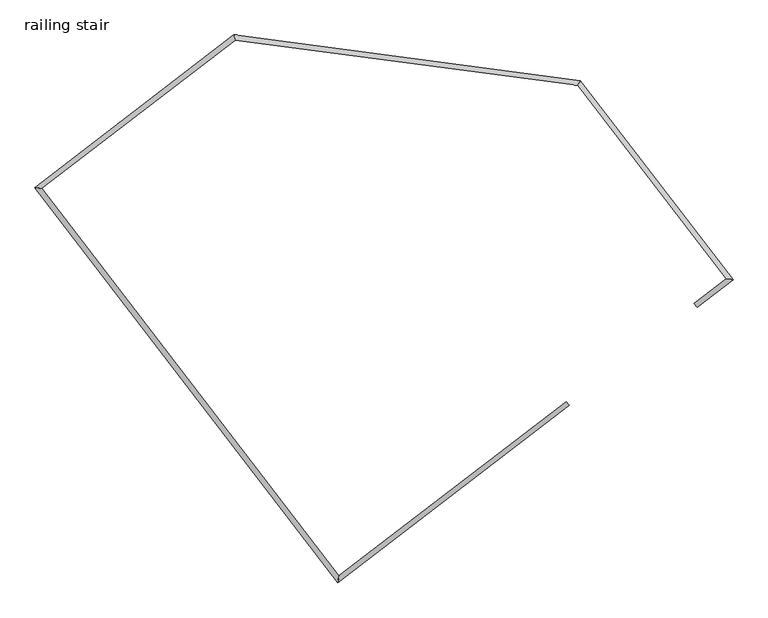
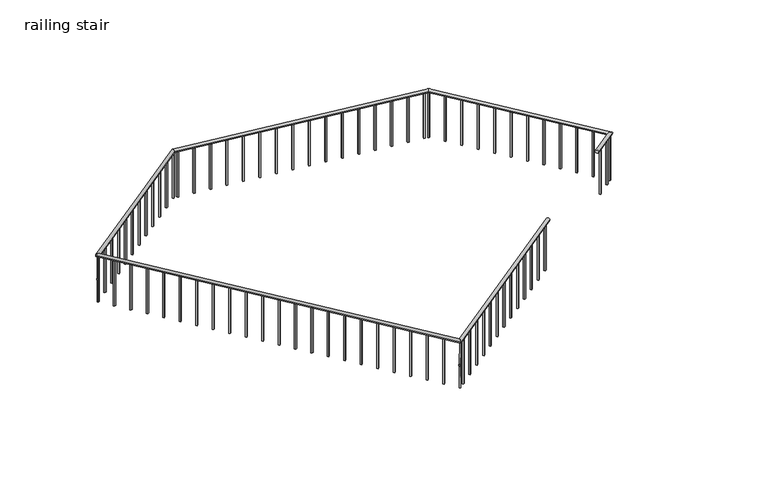
"""IFC4 building model written with IfcOpenShell, lengths in millimetres: railing geometry, railing stair."""

from ifc_helpers import new_model, si_unit, point, frame, origin, origin_with_axes, place, context, project, spatial, polyline, circle_curve, ellipse_curve, trimmed, outline, extrude, source, transform, mapped, element, save
from ifc_brep_helpers import plane_surface, cylinder_surface, revolved_surface, advanced_brep


def railing_stair_b06899be(model_context):
    return source(origin(), model_context, "Body", "SolidModel", [
        advanced_brep(
        [(-13456.2858783, 9418.9719907, 880.0), (-13419.7780178, 9371.3571179, 880.0), (-13063.4631772, 9720.1618405, 880.0), (-12979.3404438, 9709.0548282, 880.0), (-14884.5537124, 12095.294017, 880.0), (-14852.0608906, 12151.5246037, 880.0), (-19086.5838869, 12650.1024376, 880.0), (-19103.3690214, 12712.8393615, 880.0), (-21461.7160633, 10829.0119025, 880.0), (-21545.8387967, 10840.1189148, 880.0), (-17817.0146509, 6075.4604284, 880.0), (-17828.1216632, 5991.3376949, 880.0), (-15027.5766825, 8214.2125927, 880.0), (-14991.0688219, 8166.5977198, 880.0)],
        [
            (0, 1, circle_curve(frame((-13438.0319481, 9395.1645543, 880.0), z_axis=(-0.7935812142383476, -0.6084643427580535, 0.0), x_axis=(0.6084643427580535, -0.7935812142383476, 0.0)), 30.0)),
            (1, 0, circle_curve(frame((-13438.0319481, 9395.1645543, 880.0), z_axis=(-0.7935812142383476, -0.6084643427580535, 0.0), x_axis=(0.6084643427580535, -0.7935812142383476, 0.0)), 30.0)),
            (0, 2),
            (2, 3, ellipse_curve(frame((-13021.4018105, 9714.6083343, 880.0), z_axis=(-0.13089739522487362, -0.9913959208728585, 0.0), x_axis=(-0.9913959208728585, 0.13089739522487365, 0.0)), 42.4264069, 30.0)),
            (3, 1),
            (3, 2, ellipse_curve(frame((-13021.4018105, 9714.6083343, 880.0), z_axis=(-0.13089739522487362, -0.9913959208728585, 0.0), x_axis=(-0.9913959208728585, 0.13089739522487365, 0.0)), 42.4264069, 30.0)),
            (2, 4),
            (4, 5, ellipse_curve(frame((-14868.3073015, 12123.4093103, 880.0), z_axis=(0.8658381353594758, -0.5003242182397591, 0.0), x_axis=(-0.5003242182397594, -0.8658381353594755, 0.0)), 32.471766, 30.0)),
            (5, 3),
            (5, 4, ellipse_curve(frame((-14868.3073015, 12123.4093103, 880.0), z_axis=(0.8658381353594758, -0.5003242182397591, 0.0), x_axis=(-0.5003242182397594, -0.8658381353594755, 0.0)), 32.471766, 30.0)),
            (4, 6),
            (6, 7, ellipse_curve(frame((-19094.9764541, 12681.4708996, 880.0), z_axis=(0.966022664431792, 0.25845736941341335, 0.0), x_axis=(0.2584573694134129, -0.966022664431792, 0.0)), 32.471766, 30.0)),
            (7, 5),
            (7, 6, ellipse_curve(frame((-19094.9764541, 12681.4708996, 880.0), z_axis=(0.966022664431792, 0.25845736941341335, 0.0), x_axis=(0.2584573694134129, -0.966022664431792, 0.0)), 32.471766, 30.0)),
            (6, 8),
            (8, 9, ellipse_curve(frame((-21503.77743, 10834.5654086, 880.0), z_axis=(0.13089739531398417, 0.991395920861093, 0.0), x_axis=(0.991395920861093, -0.13089739531398414, 0.0)), 42.4264069, 30.0)),
            (9, 7),
            (9, 8, ellipse_curve(frame((-21503.77743, 10834.5654086, 880.0), z_axis=(0.13089739531398417, 0.991395920861093, 0.0), x_axis=(0.991395920861093, -0.13089739531398414, 0.0)), 42.4264069, 30.0)),
            (8, 10),
            (10, 11, ellipse_curve(frame((-17822.5681571, 6033.3990617, 880.0), z_axis=(-0.991395920861093, 0.13089739531398406, 0.0), x_axis=(0.13089739531398398, 0.991395920861093, 0.0)), 42.4264069, 30.0)),
            (11, 9),
            (11, 10, ellipse_curve(frame((-17822.5681571, 6033.3990617, 880.0), z_axis=(-0.991395920861093, 0.13089739531398406, 0.0), x_axis=(0.13089739531398398, 0.991395920861093, 0.0)), 42.4264069, 30.0)),
            (12, 13, circle_curve(frame((-15009.3227522, 8190.4051562, 880.0), z_axis=(0.7935812143477351, 0.6084643426153864, 0.0), x_axis=(0.6084643426153864, -0.7935812143477351, 0.0)), 30.0)),
            (13, 12, circle_curve(frame((-15009.3227522, 8190.4051562, 880.0), z_axis=(0.7935812143477351, 0.6084643426153864, 0.0), x_axis=(0.6084643426153864, -0.7935812143477351, 0.0)), 30.0)),
            (10, 12),
            (13, 11),
        ],
        [
            plane_surface(frame((-13438.0319481, 9395.1645543, 900.0), z_axis=(-0.7935812142383476, -0.6084643427580535, 0.0), x_axis=(0.6084643427580535, -0.7935812142383476, 0.0))),
            cylinder_surface(frame((-13438.0319481, 9395.1645543, 880.0), z_axis=(-0.7935812142383476, -0.6084643427580535, 0.0), x_axis=(0.6084643427580535, -0.7935812142383476, 0.0)), 30.0),
            cylinder_surface(frame((-13021.4018105, 9714.6083343, 880.0), z_axis=(0.6084643426153795, -0.7935812143477403, 0.0), x_axis=(0.7935812143477403, 0.6084643426153795, 0.0)), 30.0),
            cylinder_surface(frame((-14868.3073015, 12123.4093103, 880.0), z_axis=(0.9913959208543641, -0.1308973953649479, 0.0), x_axis=(0.1308973953649479, 0.9913959208543641, 0.0)), 30.0),
            cylinder_surface(frame((-19094.9764541, 12681.4708996, 880.0), z_axis=(0.7935812143477353, 0.6084643426153862, 0.0), x_axis=(-0.6084643426153862, 0.7935812143477353, 0.0)), 30.0),
            cylinder_surface(frame((-21503.77743, 10834.5654086, 880.0), z_axis=(-0.6084643426153863, 0.7935812143477351, 0.0), x_axis=(-0.7935812143477351, -0.6084643426153863, 0.0)), 30.0),
            plane_surface(frame((-15009.3227522, 8190.4051562, 900.0), z_axis=(0.7935812143477353, 0.608464342615386, 0.0), x_axis=(0.608464342615386, -0.7935812143477353, 0.0))),
            cylinder_surface(frame((-17822.5681571, 6033.3990617, 880.0), z_axis=(-0.7935812143477351, -0.6084643426153864, 0.0), x_axis=(0.6084643426153864, -0.7935812143477351, 0.0)), 30.0),
        ],
        [
            (0, [[1, 2]]),
            (1, [[-1, 3, 4, 5]]),
            (1, [[-2, -5, 6, -3]]),
            (2, [[-4, 7, 8, 9]]),
            (2, [[-6, -9, 10, -7]]),
            (3, [[-8, 11, 12, 13]]),
            (3, [[-10, -13, 14, -11]]),
            (4, [[-12, 15, 16, 17]]),
            (4, [[-14, -17, 18, -15]]),
            (5, [[-16, 19, 20, 21]]),
            (5, [[-18, -21, 22, -19]]),
            (6, [[23, 24]]),
            (7, [[-20, 25, -24, 26]]),
            (7, [[-22, -26, -23, -25]]),
        ],
    ),
        extrude(outline(polyline([(-15108.8504119, 8098.3427048), (-15124.0620204, 8118.1822352), (-15104.2224901, 8133.3938437), (-15089.0108815, 8113.5543134), (-15108.8504119, 8098.3427048)])), origin_with_axes(), (0.0, 0.0, 1.0), 850.0),
        extrude(outline(polyline([(-15327.0852458, 7931.0150106), (-15342.2968544, 7950.8545409), (-15322.457324, 7966.0661495), (-15307.2457155, 7946.2266191), (-15327.0852458, 7931.0150106)])), origin_with_axes(), (0.0, 0.0, 1.0), 850.0),
        extrude(outline(polyline([(-15545.3200798, 7763.6873164), (-15560.5316883, 7783.5268467), (-15540.692158, 7798.7384553), (-15525.4805494, 7778.8989249), (-15545.3200798, 7763.6873164)])), origin_with_axes(), (0.0, 0.0, 1.0), 850.0),
        extrude(outline(polyline([(-15763.5549137, 7596.3596221), (-15778.7665223, 7616.1991525), (-15758.9269919, 7631.4107611), (-15743.7153834, 7611.5712307), (-15763.5549137, 7596.3596221)])), origin_with_axes(), (0.0, 0.0, 1.0), 850.0),
        extrude(outline(polyline([(-15981.7897477, 7429.0319279), (-15997.0013562, 7448.8714583), (-15977.1618259, 7464.0830668), (-15961.9502173, 7444.2435365), (-15981.7897477, 7429.0319279)])), origin_with_axes(), (0.0, 0.0, 1.0), 850.0),
        extrude(outline(polyline([(-16200.0245816, 7261.7042337), (-16215.2361902, 7281.5437641), (-16195.3966598, 7296.7553726), (-16180.1850512, 7276.9158423), (-16200.0245816, 7261.7042337)])), origin_with_axes(), (0.0, 0.0, 1.0), 850.0),
        extrude(outline(polyline([(-16418.2594156, 7094.3765395), (-16433.4710241, 7114.2160698), (-16413.6314938, 7129.4276784), (-16398.4198852, 7109.588148), (-16418.2594156, 7094.3765395)])), origin_with_axes(), (0.0, 0.0, 1.0), 850.0),
        extrude(outline(polyline([(-16636.4942495, 6927.0488453), (-16651.7058581, 6946.8883756), (-16631.8663277, 6962.0999842), (-16616.6547191, 6942.2604538), (-16636.4942495, 6927.0488453)])), origin_with_axes(), (0.0, 0.0, 1.0), 850.0),
        extrude(outline(polyline([(-16854.7290834, 6759.721151), (-16869.940692, 6779.5606814), (-16850.1011616, 6794.77229), (-16834.8895531, 6774.9327596), (-16854.7290834, 6759.721151)])), origin_with_axes(), (0.0, 0.0, 1.0), 850.0),
        extrude(outline(polyline([(-17072.9639174, 6592.3934568), (-17088.175526, 6612.2329872), (-17068.3359956, 6627.4445957), (-17053.124387, 6607.6050654), (-17072.9639174, 6592.3934568)])), origin_with_axes(), (0.0, 0.0, 1.0), 850.0),
        extrude(outline(polyline([(-17291.1987513, 6425.0657626), (-17306.4103599, 6444.905293), (-17286.5708295, 6460.1169015), (-17271.359221, 6440.2773712), (-17291.1987513, 6425.0657626)])), origin_with_axes(), (0.0, 0.0, 1.0), 850.0),
        extrude(outline(polyline([(-17509.4335853, 6257.7380684), (-17524.6451938, 6277.5775987), (-17504.8056635, 6292.7892073), (-17489.5940549, 6272.949677), (-17509.4335853, 6257.7380684)])), origin_with_axes(), (0.0, 0.0, 1.0), 850.0),
        extrude(outline(polyline([(-17727.6684192, 6090.4103742), (-17742.8800278, 6110.2499045), (-17723.0404974, 6125.4615131), (-17707.8288889, 6105.6219827), (-17727.6684192, 6090.4103742)])), origin_with_axes(), (0.0, 0.0, 1.0), 850.0),
        extrude(outline(polyline([(-18007.4214208, 6253.9478566), (-17987.5818905, 6269.1594651), (-17972.3702819, 6249.3199348), (-17992.2098123, 6234.1083262), (-18007.4214208, 6253.9478566)])), origin_with_axes(), (0.0, 0.0, 1.0), 850.0),
        extrude(outline(polyline([(-18174.749115, 6472.1826905), (-18154.9095847, 6487.3942991), (-18139.6979761, 6467.5547687), (-18159.5375065, 6452.3431602), (-18174.749115, 6472.1826905)])), origin_with_axes(), (0.0, 0.0, 1.0), 850.0),
        extrude(outline(polyline([(-18342.0768093, 6690.4175245), (-18322.2372789, 6705.629133), (-18307.0256703, 6685.7896027), (-18326.8652007, 6670.5779941), (-18342.0768093, 6690.4175245)])), origin_with_axes(), (0.0, 0.0, 1.0), 850.0),
        extrude(outline(polyline([(-18509.4045035, 6908.6523584), (-18489.5649731, 6923.863967), (-18474.3533646, 6904.0244366), (-18494.1928949, 6888.8128281), (-18509.4045035, 6908.6523584)])), origin_with_axes(), (0.0, 0.0, 1.0), 850.0),
        extrude(outline(polyline([(-18676.7321977, 7126.8871924), (-18656.8926673, 7142.0988009), (-18641.6810588, 7122.2592706), (-18661.5205891, 7107.047662), (-18676.7321977, 7126.8871924)])), origin_with_axes(), (0.0, 0.0, 1.0), 850.0),
        extrude(outline(polyline([(-18844.0598919, 7345.1220263), (-18824.2203616, 7360.3336349), (-18809.008753, 7340.4941045), (-18828.8482834, 7325.2824959), (-18844.0598919, 7345.1220263)])), origin_with_axes(), (0.0, 0.0, 1.0), 850.0),
        extrude(outline(polyline([(-19011.3875861, 7563.3568603), (-18991.5480558, 7578.5684688), (-18976.3364472, 7558.7289385), (-18996.1759776, 7543.5173299), (-19011.3875861, 7563.3568603)])), origin_with_axes(), (0.0, 0.0, 1.0), 850.0),
        extrude(outline(polyline([(-19178.7152804, 7781.5916942), (-19158.87575, 7796.8033028), (-19143.6641414, 7776.9637724), (-19163.5036718, 7761.7521638), (-19178.7152804, 7781.5916942)])), origin_with_axes(), (0.0, 0.0, 1.0), 850.0),
        extrude(outline(polyline([(-19346.0429746, 7999.8265281), (-19326.2034442, 8015.0381367), (-19310.9918357, 7995.1986064), (-19330.831366, 7979.9869978), (-19346.0429746, 7999.8265281)])), origin_with_axes(), (0.0, 0.0, 1.0), 850.0),
        extrude(outline(polyline([(-19513.3706688, 8218.0613621), (-19493.5311384, 8233.2729707), (-19478.3195299, 8213.4334403), (-19498.1590602, 8198.2218317), (-19513.3706688, 8218.0613621)])), origin_with_axes(), (0.0, 0.0, 1.0), 850.0),
        extrude(outline(polyline([(-19680.698363, 8436.296196), (-19660.8588327, 8451.5078046), (-19645.6472241, 8431.6682742), (-19665.4867545, 8416.4566657), (-19680.698363, 8436.296196)])), origin_with_axes(), (0.0, 0.0, 1.0), 850.0),
        extrude(outline(polyline([(-19848.0260572, 8654.53103), (-19828.1865269, 8669.7426385), (-19812.9749183, 8649.9031082), (-19832.8144487, 8634.6914996), (-19848.0260572, 8654.53103)])), origin_with_axes(), (0.0, 0.0, 1.0), 850.0),
        extrude(outline(polyline([(-20015.3537515, 8872.7658639), (-19995.5142211, 8887.9774725), (-19980.3026125, 8868.1379421), (-20000.1421429, 8852.9263336), (-20015.3537515, 8872.7658639)])), origin_with_axes(), (0.0, 0.0, 1.0), 850.0),
        extrude(outline(polyline([(-20182.6814457, 9091.0006979), (-20162.8419153, 9106.2123064), (-20147.6303068, 9086.3727761), (-20167.4698371, 9071.1611675), (-20182.6814457, 9091.0006979)])), origin_with_axes(), (0.0, 0.0, 1.0), 850.0),
        extrude(outline(polyline([(-20350.0091399, 9309.2355318), (-20330.1696095, 9324.4471404), (-20314.958001, 9304.60761), (-20334.7975313, 9289.3960015), (-20350.0091399, 9309.2355318)])), origin_with_axes(), (0.0, 0.0, 1.0), 850.0),
        extrude(outline(polyline([(-20517.3368341, 9527.4703658), (-20497.4973038, 9542.6819743), (-20482.2856952, 9522.842444), (-20502.1252256, 9507.6308354), (-20517.3368341, 9527.4703658)])), origin_with_axes(), (0.0, 0.0, 1.0), 850.0),
        extrude(outline(polyline([(-20684.6645283, 9745.7051997), (-20664.824998, 9760.9168083), (-20649.6133894, 9741.0772779), (-20669.4529198, 9725.8656694), (-20684.6645283, 9745.7051997)])), origin_with_axes(), (0.0, 0.0, 1.0), 850.0),
        extrude(outline(polyline([(-20851.9922226, 9963.9400337), (-20832.1526922, 9979.1516422), (-20816.9410836, 9959.3121119), (-20836.780614, 9944.1005033), (-20851.9922226, 9963.9400337)])), origin_with_axes(), (0.0, 0.0, 1.0), 850.0),
        extrude(outline(polyline([(-21019.3199168, 10182.1748676), (-20999.4803864, 10197.3864762), (-20984.2687779, 10177.5469458), (-21004.1083082, 10162.3353372), (-21019.3199168, 10182.1748676)])), origin_with_axes(), (0.0, 0.0, 1.0), 850.0),
        extrude(outline(polyline([(-21186.647611, 10400.4097015), (-21166.8080806, 10415.6213101), (-21151.5964721, 10395.7817798), (-21171.4360024, 10380.5701712), (-21186.647611, 10400.4097015)])), origin_with_axes(), (0.0, 0.0, 1.0), 850.0),
        extrude(outline(polyline([(-21353.9753052, 10618.6445355), (-21334.1357749, 10633.8561441), (-21318.9241663, 10614.0166137), (-21338.7636966, 10598.8050051), (-21353.9753052, 10618.6445355)])), origin_with_axes(), (0.0, 0.0, 1.0), 850.0),
        extrude(outline(polyline([(-21497.3545679, 10855.2414053), (-21482.1429593, 10835.401875), (-21501.9824897, 10820.1902664), (-21517.1940983, 10840.0297968), (-21497.3545679, 10855.2414053)])), origin_with_axes(), (0.0, 0.0, 1.0), 850.0),
        extrude(outline(polyline([(-21279.1197339, 11022.5690996), (-21263.9081254, 11002.7295692), (-21283.7476557, 10987.5179606), (-21298.9592643, 11007.357491), (-21279.1197339, 11022.5690996)])), origin_with_axes(), (0.0, 0.0, 1.0), 850.0),
        extrude(outline(polyline([(-21060.8849, 11189.8967938), (-21045.6732914, 11170.0572634), (-21065.5128218, 11154.8456549), (-21080.7244304, 11174.6851852), (-21060.8849, 11189.8967938)])), origin_with_axes(), (0.0, 0.0, 1.0), 850.0),
        extrude(outline(polyline([(-20842.6500661, 11357.224488), (-20827.4384575, 11337.3849576), (-20847.2779878, 11322.1733491), (-20862.4895964, 11342.0128794), (-20842.6500661, 11357.224488)])), origin_with_axes(), (0.0, 0.0, 1.0), 850.0),
        extrude(outline(polyline([(-20624.4152321, 11524.5521822), (-20609.2036235, 11504.7126519), (-20629.0431539, 11489.5010433), (-20644.2547625, 11509.3405737), (-20624.4152321, 11524.5521822)])), origin_with_axes(), (0.0, 0.0, 1.0), 850.0),
        extrude(outline(polyline([(-20406.1803982, 11691.8798764), (-20390.9687896, 11672.0403461), (-20410.80832, 11656.8287375), (-20426.0199285, 11676.6682679), (-20406.1803982, 11691.8798764)])), origin_with_axes(), (0.0, 0.0, 1.0), 850.0),
        extrude(outline(polyline([(-20187.9455642, 11859.2075707), (-20172.7339557, 11839.3680403), (-20192.573486, 11824.1564317), (-20207.7850946, 11843.9959621), (-20187.9455642, 11859.2075707)])), origin_with_axes(), (0.0, 0.0, 1.0), 850.0),
        extrude(outline(polyline([(-19969.7107303, 12026.5352649), (-19954.4991217, 12006.6957345), (-19974.3386521, 11991.484126), (-19989.5502606, 12011.3236563), (-19969.7107303, 12026.5352649)])), origin_with_axes(), (0.0, 0.0, 1.0), 850.0),
        extrude(outline(polyline([(-19751.4758963, 12193.8629591), (-19736.2642878, 12174.0234287), (-19756.1038181, 12158.8118202), (-19771.3154267, 12178.6513505), (-19751.4758963, 12193.8629591)])), origin_with_axes(), (0.0, 0.0, 1.0), 850.0),
        extrude(outline(polyline([(-19533.2410624, 12361.1906533), (-19518.0294538, 12341.351123), (-19537.8689842, 12326.1395144), (-19553.0805927, 12345.9790448), (-19533.2410624, 12361.1906533)])), origin_with_axes(), (0.0, 0.0, 1.0), 850.0),
        extrude(outline(polyline([(-19315.0062284, 12528.5183475), (-19299.7946199, 12508.6788172), (-19319.6341502, 12493.4672086), (-19334.8457588, 12513.306739), (-19315.0062284, 12528.5183475)])), origin_with_axes(), (0.0, 0.0, 1.0), 850.0),
        extrude(outline(polyline([(-19096.7713945, 12695.8460418), (-19081.5597859, 12676.0065114), (-19101.3993163, 12660.7949028), (-19116.6109248, 12680.6344332), (-19096.7713945, 12695.8460418)])), origin_with_axes(), (0.0, 0.0, 1.0), 850.0),
        extrude(outline(polyline([(-19012.3672981, 12683.1722145), (-19015.639733, 12658.3873164), (-19040.424631, 12661.6597513), (-19037.1521962, 12686.4446493), (-19012.3672981, 12683.1722145)])), origin_with_axes(), (0.0, 0.0, 1.0), 850.0),
        extrude(outline(polyline([(-18739.7334199, 12647.1754307), (-18743.0058548, 12622.3905327), (-18767.7907528, 12625.6629676), (-18764.5183179, 12650.4478656), (-18739.7334199, 12647.1754307)])), origin_with_axes(), (0.0, 0.0, 1.0), 850.0),
        extrude(outline(polyline([(-18467.0995417, 12611.178647), (-18470.3719765, 12586.393749), (-18495.1568746, 12589.6661839), (-18491.8844397, 12614.4510819), (-18467.0995417, 12611.178647)])), origin_with_axes(), (0.0, 0.0, 1.0), 850.0),
        extrude(outline(polyline([(-18194.4656634, 12575.1818633), (-18197.7380983, 12550.3969653), (-18222.5229963, 12553.6694001), (-18219.2505614, 12578.4542982), (-18194.4656634, 12575.1818633)])), origin_with_axes(), (0.0, 0.0, 1.0), 850.0),
        extrude(outline(polyline([(-17921.8317852, 12539.1850796), (-17925.1042201, 12514.4001815), (-17949.8891181, 12517.6726164), (-17946.6166832, 12542.4575144), (-17921.8317852, 12539.1850796)])), origin_with_axes(), (0.0, 0.0, 1.0), 850.0),
        extrude(outline(polyline([(-17649.197907, 12503.1882958), (-17652.4703418, 12478.4033978), (-17677.2552399, 12481.6758327), (-17673.982805, 12506.4607307), (-17649.197907, 12503.1882958)])), origin_with_axes(), (0.0, 0.0, 1.0), 850.0),
        extrude(outline(polyline([(-17376.5640287, 12467.1915121), (-17379.8364636, 12442.4066141), (-17404.6213616, 12445.679049), (-17401.3489267, 12470.463947), (-17376.5640287, 12467.1915121)])), origin_with_axes(), (0.0, 0.0, 1.0), 850.0),
        extrude(outline(polyline([(-17103.9301505, 12431.1947284), (-17107.2025854, 12406.4098304), (-17131.9874834, 12409.6822652), (-17128.7150485, 12434.4671633), (-17103.9301505, 12431.1947284)])), origin_with_axes(), (0.0, 0.0, 1.0), 850.0),
        extrude(outline(polyline([(-16831.2962723, 12395.1979447), (-16834.5687071, 12370.4130466), (-16859.3536052, 12373.6854815), (-16856.0811703, 12398.4703795), (-16831.2962723, 12395.1979447)])), origin_with_axes(), (0.0, 0.0, 1.0), 850.0),
        extrude(outline(polyline([(-16558.662394, 12359.2011609), (-16561.9348289, 12334.4162629), (-16586.7197269, 12337.6886978), (-16583.447292, 12362.4735958), (-16558.662394, 12359.2011609)])), origin_with_axes(), (0.0, 0.0, 1.0), 850.0),
        extrude(outline(polyline([(-16286.0285158, 12323.2043772), (-16289.3009507, 12298.4194792), (-16314.0858487, 12301.6919141), (-16310.8134138, 12326.4768121), (-16286.0285158, 12323.2043772)])), origin_with_axes(), (0.0, 0.0, 1.0), 850.0),
        extrude(outline(polyline([(-16013.3946375, 12287.2075935), (-16016.6670724, 12262.4226955), (-16041.4519705, 12265.6951303), (-16038.1795356, 12290.4800284), (-16013.3946375, 12287.2075935)])), origin_with_axes(), (0.0, 0.0, 1.0), 850.0),
        extrude(outline(polyline([(-15740.7607593, 12251.2108097), (-15744.0331942, 12226.4259117), (-15768.8180922, 12229.6983466), (-15765.5456573, 12254.4832446), (-15740.7607593, 12251.2108097)])), origin_with_axes(), (0.0, 0.0, 1.0), 850.0),
        extrude(outline(polyline([(-15468.1268811, 12215.214026), (-15471.399316, 12190.429128), (-15496.184214, 12193.7015629), (-15492.9117791, 12218.4864609), (-15468.1268811, 12215.214026)])), origin_with_axes(), (0.0, 0.0, 1.0), 850.0),
        extrude(outline(polyline([(-15195.4930028, 12179.2172423), (-15198.7654377, 12154.4323443), (-15223.5503357, 12157.7047792), (-15220.2779009, 12182.4896772), (-15195.4930028, 12179.2172423)])), origin_with_axes(), (0.0, 0.0, 1.0), 850.0),
        extrude(outline(polyline([(-14922.8591246, 12143.2204586), (-14926.1315595, 12118.4355606), (-14950.9164575, 12121.7079954), (-14947.6440226, 12146.4928935), (-14922.8591246, 12143.2204586)])), origin_with_axes(), (0.0, 0.0, 1.0), 850.0),
        extrude(outline(polyline([(-14847.6313047, 12116.9864481), (-14867.4708351, 12101.7748396), (-14882.6824437, 12121.6143699), (-14862.8429133, 12136.8259785), (-14847.6313047, 12116.9864481)])), origin_with_axes(), (0.0, 0.0, 1.0), 850.0),
        extrude(outline(polyline([(-14680.3036105, 11898.7516142), (-14700.1431409, 11883.5400056), (-14715.3547494, 11903.379536), (-14695.5152191, 11918.5911445), (-14680.3036105, 11898.7516142)])), origin_with_axes(), (0.0, 0.0, 1.0), 850.0),
        extrude(outline(polyline([(-14512.9759163, 11680.5167802), (-14532.8154467, 11665.3051717), (-14548.0270552, 11685.144702), (-14528.1875249, 11700.3563106), (-14512.9759163, 11680.5167802)])), origin_with_axes(), (0.0, 0.0, 1.0), 850.0),
        extrude(outline(polyline([(-14345.6482221, 11462.2819463), (-14365.4877524, 11447.0703377), (-14380.699361, 11466.9098681), (-14360.8598306, 11482.1214767), (-14345.6482221, 11462.2819463)])), origin_with_axes(), (0.0, 0.0, 1.0), 850.0),
        extrude(outline(polyline([(-14178.3205279, 11244.0471124), (-14198.1600582, 11228.8355038), (-14213.3716668, 11248.6750341), (-14193.5321364, 11263.8866427), (-14178.3205279, 11244.0471124)])), origin_with_axes(), (0.0, 0.0, 1.0), 850.0),
        extrude(outline(polyline([(-14010.9928336, 11025.8122784), (-14030.832364, 11010.6006698), (-14046.0439726, 11030.4402002), (-14026.2044422, 11045.6518088), (-14010.9928336, 11025.8122784)])), origin_with_axes(), (0.0, 0.0, 1.0), 850.0),
        extrude(outline(polyline([(-13843.6651394, 10807.5774445), (-13863.5046698, 10792.3658359), (-13878.7162783, 10812.2053663), (-13858.876748, 10827.4169748), (-13843.6651394, 10807.5774445)])), origin_with_axes(), (0.0, 0.0, 1.0), 850.0),
        extrude(outline(polyline([(-13676.3374452, 10589.3426105), (-13696.1769756, 10574.131002), (-13711.3885841, 10593.9705323), (-13691.5490538, 10609.1821409), (-13676.3374452, 10589.3426105)])), origin_with_axes(), (0.0, 0.0, 1.0), 850.0),
        extrude(outline(polyline([(-13509.009751, 10371.1077766), (-13528.8492813, 10355.896168), (-13544.0608899, 10375.7356984), (-13524.2213595, 10390.9473069), (-13509.009751, 10371.1077766)])), origin_with_axes(), (0.0, 0.0, 1.0), 850.0),
        extrude(outline(polyline([(-13341.6820568, 10152.8729426), (-13361.5215871, 10137.6613341), (-13376.7331957, 10157.5008644), (-13356.8936653, 10172.712473), (-13341.6820568, 10152.8729426)])), origin_with_axes(), (0.0, 0.0, 1.0), 850.0),
        extrude(outline(polyline([(-13174.3543625, 9934.6381087), (-13194.1938929, 9919.4265001), (-13209.4055015, 9939.2660305), (-13189.5659711, 9954.477639), (-13174.3543625, 9934.6381087)])), origin_with_axes(), (0.0, 0.0, 1.0), 850.0),
        extrude(outline(polyline([(-13007.0266683, 9716.4032747), (-13026.8661987, 9701.1916662), (-13042.0778072, 9721.0311965), (-13022.2382769, 9736.2428051), (-13007.0266683, 9716.4032747)])), origin_with_axes(), (0.0, 0.0, 1.0), 850.0),
        extrude(outline(polyline([(-13122.9134232, 9621.024722), (-13138.1250318, 9640.8642523), (-13118.2855014, 9656.0758609), (-13103.0738929, 9636.2363306), (-13122.9134232, 9621.024722)])), origin_with_axes(), (0.0, 0.0, 1.0), 850.0),
        extrude(outline(polyline([(-13341.1482571, 9453.6970277), (-13356.3598657, 9473.5365581), (-13336.5203353, 9488.7481667), (-13321.3087268, 9468.9086363), (-13341.1482571, 9453.6970277)])), origin_with_axes(), (0.0, 0.0, 1.0), 850.0),
        advanced_brep(
        [(-17814.6300947, 6023.0459535, 412.3989553), (-17830.5062194, 6043.7521698, 412.3989553), (-17828.1956587, 6040.7386529, 0.0), (-17816.9406555, 6026.0594704, 0.0), (-17818.5736664, 6028.1893023, 412.3989553), (-17826.5626478, 6038.608821, 412.3989553), (-17814.4392729, 6022.7970767, 417.0582924), (-17830.6970413, 6044.0010466, 417.0582924), (-17814.4392729, 6022.7970767, 432.9417076), (-17830.6970413, 6044.0010466, 432.9417076), (-17818.6395757, 6028.2752637, 437.7753248), (-17826.4967384, 6038.5228596, 437.7753248), (-17814.6317136, 6023.0480649, 437.7753248), (-17830.5046006, 6043.7500584, 437.7753248), (-17818.0521565, 6027.5091303, 850.0), (-17827.0841577, 6039.288993, 850.0)],
        [
            (0, 1, circle_curve(frame((-17822.5681571, 6033.3990617, 412.3989553), z_axis=(0.0, 0.0, -1.0), x_axis=(-0.6084643426153858, 0.7935812143477354, 0.0)), 13.0460601)),
            (1, 2),
            (2, 3, circle_curve(frame((-17822.5681571, 6033.3990617, 0.0), z_axis=(0.0, 0.0, 1.0), x_axis=(-0.6084643426153858, 0.7935812143477354, 0.0)), 9.2486958)),
            (3, 0),
            (1, 0, circle_curve(frame((-17822.5681571, 6033.3990617, 412.3989553), z_axis=(0.0, 0.0, -1.0), x_axis=(-0.6084643426153858, 0.7935812143477354, 0.0)), 13.0460601)),
            (3, 2, circle_curve(frame((-17822.5681571, 6033.3990617, 0.0), z_axis=(0.0, 0.0, 1.0), x_axis=(-0.6084643426153858, 0.7935812143477354, 0.0)), 9.2486958)),
            (0, 4),
            (4, 5, circle_curve(frame((-17822.5681571, 6033.3990617, 412.3989553), z_axis=(0.0, 0.0, -1.0), x_axis=(-0.6084643426153858, 0.7935812143477354, 0.0)), 6.5648723)),
            (5, 1),
            (5, 4, circle_curve(frame((-17822.5681571, 6033.3990617, 412.3989553), z_axis=(0.0, 0.0, -1.0), x_axis=(-0.6084643426153858, 0.7935812143477354, 0.0)), 6.5648723)),
            (4, 6),
            (6, 7, circle_curve(frame((-17822.5681571, 6033.3990617, 417.0582924), z_axis=(0.0, 0.0, -1.0), x_axis=(-0.6084643426153858, 0.7935812143477354, 0.0)), 13.3596723)),
            (7, 5),
            (7, 6, circle_curve(frame((-17822.5681571, 6033.3990617, 417.0582924), z_axis=(0.0, 0.0, -1.0), x_axis=(-0.6084643426153858, 0.7935812143477354, 0.0)), 13.3596723)),
            (6, 8, circle_curve(frame((-17814.4392729, 6022.7970767, 425.0), z_axis=(-0.7935812143477374, -0.6084643426153833, 0.0), x_axis=(0.6084643426153833, -0.7935812143477374, 0.0)), 7.9417076)),
            (8, 9, circle_curve(frame((-17822.5681571, 6033.3990617, 432.9417076), z_axis=(0.0, 0.0, -1.0), x_axis=(-0.6084643426153858, 0.7935812143477354, 0.0)), 13.3596723)),
            (9, 7, circle_curve(frame((-17830.6970413, 6044.0010466, 425.0), z_axis=(-0.7935812143477354, -0.6084643426153858, 0.0), x_axis=(-0.6084643426153858, 0.7935812143477354, 0.0)), 7.9417076)),
            (9, 8, circle_curve(frame((-17822.5681571, 6033.3990617, 432.9417076), z_axis=(0.0, 0.0, -1.0), x_axis=(-0.6084643426153858, 0.7935812143477354, 0.0)), 13.3596723)),
            (8, 10),
            (10, 11, circle_curve(frame((-17822.5681571, 6033.3990617, 437.7753248), z_axis=(0.0, 0.0, -1.0), x_axis=(-0.6084643426153858, 0.7935812143477354, 0.0)), 6.4565515)),
            (11, 9),
            (11, 10, circle_curve(frame((-17822.5681571, 6033.3990617, 437.7753248), z_axis=(0.0, 0.0, -1.0), x_axis=(-0.6084643426153858, 0.7935812143477354, 0.0)), 6.4565515)),
            (10, 12),
            (12, 13, circle_curve(frame((-17822.5681571, 6033.3990617, 437.7753248), z_axis=(0.0, 0.0, -1.0), x_axis=(-0.6084643426153858, 0.7935812143477354, 0.0)), 13.0433994)),
            (13, 11),
            (13, 12, circle_curve(frame((-17822.5681571, 6033.3990617, 437.7753248), z_axis=(0.0, 0.0, -1.0), x_axis=(-0.6084643426153858, 0.7935812143477354, 0.0)), 13.0433994)),
            (12, 14),
            (14, 15, circle_curve(frame((-17822.5681571, 6033.3990617, 850.0), z_axis=(0.0, 0.0, -1.0), x_axis=(-0.6084643426153858, 0.7935812143477354, 0.0)), 7.4219642)),
            (15, 13),
            (15, 14, circle_curve(frame((-17822.5681571, 6033.3990617, 850.0), z_axis=(0.0, 0.0, -1.0), x_axis=(-0.6084643426153858, 0.7935812143477354, 0.0)), 7.4219642)),
        ],
        [
            revolved_surface(polyline([(-17826.9148742, 6039.0682075, -228.6), (-17830.5062194, 6043.7521698, 412.3989553)]), (-17822.5681571, 6033.3990617, 1180.2), (0.0, 0.0, 1.0)),
            plane_surface(frame((-17822.5681571, 6033.3990617, 412.3989553), z_axis=(0.0, 0.0, 1.0), x_axis=(-0.6084643426153858, 0.7935812143477354, 0.0))),
            revolved_surface(polyline([(-17826.562194, 6038.6082291, 412.3), (-17830.6970413, 6044.0010466, 417.0582924)]), (-17822.5681571, 6033.3990617, 1180.2), (0.0, 0.0, 1.0)),
            revolved_surface(trimmed(ellipse_curve(frame((-17830.6970413, 6044.0010466, 425.0), z_axis=(0.7935812143477354, 0.6084643426153858, 0.0), x_axis=(-0.6084643426153858, 0.7935812143477354, 0.0)), 7.9417076, 7.9417076), [point((-17830.6970413, 6044.0010466, 417.0582924))], [point((-17830.6970413, 6044.0010466, 432.9417076))], True, "CARTESIAN"), (-17822.5681571, 6033.3990617, 1180.2), (0.0, 0.0, 1.0)),
            revolved_surface(polyline([(-17830.6970413, 6044.0010466, 432.9417076), (-17826.4967384, 6038.5228596, 437.7753248)]), (-17822.5681571, 6033.3990617, 1180.2), (0.0, 0.0, 1.0)),
            plane_surface(frame((-17822.5681571, 6033.3990617, 437.7753248), z_axis=(0.0, 0.0, -1.0), x_axis=(-0.6084643426153858, 0.7935812143477354, 0.0))),
            revolved_surface(polyline([(-17830.5046006, 6043.7500584, 437.7753248), (-17827.0841577, 6039.288993, 850.0)]), (-17822.5681571, 6033.3990617, 1180.2), (0.0, 0.0, 1.0)),
            plane_surface(frame((-17813.16422, 6104.622976, 0.0), z_axis=(0.0, 0.0, -1.0), x_axis=(-0.7935812143477354, -0.6084643426153858, 0.0))),
            plane_surface(frame((-17751.3442428, 6023.9951246, 850.0), z_axis=(0.0, 0.0, 1.0), x_axis=(-0.7935812143477354, -0.6084643426153858, 0.0))),
        ],
        [
            (0, [[1, 2, 3, 4]]),
            (0, [[5, -4, 6, -2]]),
            (1, [[-1, 7, 8, 9]]),
            (1, [[-5, -9, 10, -7]]),
            (2, [[-8, 11, 12, 13]]),
            (2, [[-10, -13, 14, -11]]),
            (3, [[-12, 15, 16, 17]]),
            (3, [[-14, -17, 18, -15]]),
            (4, [[-16, 19, 20, 21]]),
            (4, [[-18, -21, 22, -19]]),
            (5, [[-20, 23, 24, 25]]),
            (5, [[-22, -25, 26, -23]]),
            (6, [[-24, 27, 28, 29]]),
            (6, [[-26, -29, 30, -27]]),
            (7, [[-3, -6]]),
            (8, [[-28, -30]]),
        ],
    ),
        advanced_brep(
        [(-21514.1305382, 10826.6273463, 412.3989553), (-21493.4243218, 10842.503471, 412.3989553), (-21496.4378388, 10840.1929103, 0.0), (-21511.1170213, 10828.937907, 0.0), (-21508.9871894, 10830.5709179, 412.3989553), (-21498.5676707, 10838.5598994, 412.3989553), (-21514.379415, 10826.4365244, 417.0582924), (-21493.1754451, 10842.6942928, 417.0582924), (-21514.379415, 10826.4365244, 432.9417076), (-21493.1754451, 10842.6942928, 432.9417076), (-21508.901228, 10830.6368273, 437.7753248), (-21498.6536321, 10838.49399, 437.7753248), (-21514.1284268, 10826.6289652, 437.7753248), (-21493.4264333, 10842.5018521, 437.7753248), (-21509.6673614, 10830.049408, 850.0), (-21497.8874987, 10839.0814092, 850.0)],
        [
            (0, 1, circle_curve(frame((-21503.77743, 10834.5654086, 412.3989553), z_axis=(0.0, 0.0, -1.0000000000000002), x_axis=(0.7935812143477357, 0.6084643426153857, 0.0)), 13.0460601)),
            (1, 2),
            (2, 3, circle_curve(frame((-21503.77743, 10834.5654086, 0.0), z_axis=(0.0, 0.0, 1.0000000000000002), x_axis=(0.7935812143477357, 0.6084643426153857, 0.0)), 9.2486958)),
            (3, 0),
            (1, 0, circle_curve(frame((-21503.77743, 10834.5654086, 412.3989553), z_axis=(0.0, 0.0, -1.0000000000000002), x_axis=(0.7935812143477357, 0.6084643426153857, 0.0)), 13.0460601)),
            (3, 2, circle_curve(frame((-21503.77743, 10834.5654086, 0.0), z_axis=(0.0, 0.0, 1.0000000000000002), x_axis=(0.7935812143477357, 0.6084643426153857, 0.0)), 9.2486958)),
            (0, 4),
            (4, 5, circle_curve(frame((-21503.77743, 10834.5654086, 412.3989553), z_axis=(0.0, 0.0, -1.0000000000000002), x_axis=(0.7935812143477357, 0.6084643426153857, 0.0)), 6.5648723)),
            (5, 1),
            (5, 4, circle_curve(frame((-21503.77743, 10834.5654086, 412.3989553), z_axis=(0.0, 0.0, -1.0000000000000002), x_axis=(0.7935812143477357, 0.6084643426153857, 0.0)), 6.5648723)),
            (4, 6),
            (6, 7, circle_curve(frame((-21503.77743, 10834.5654086, 417.0582924), z_axis=(0.0, 0.0, -1.0000000000000002), x_axis=(0.7935812143477357, 0.6084643426153857, 0.0)), 13.3596723)),
            (7, 5),
            (7, 6, circle_curve(frame((-21503.77743, 10834.5654086, 417.0582924), z_axis=(0.0, 0.0, -1.0000000000000002), x_axis=(0.7935812143477357, 0.6084643426153857, 0.0)), 13.3596723)),
            (6, 8, circle_curve(frame((-21514.379415, 10826.4365244, 425.0), z_axis=(-0.6084643426153832, 0.7935812143477377, 0.0), x_axis=(-0.7935812143477377, -0.6084643426153832, 0.0)), 7.9417076)),
            (8, 9, circle_curve(frame((-21503.77743, 10834.5654086, 432.9417076), z_axis=(0.0, 0.0, -1.0000000000000002), x_axis=(0.7935812143477357, 0.6084643426153857, 0.0)), 13.3596723)),
            (9, 7, circle_curve(frame((-21493.1754451, 10842.6942928, 425.0), z_axis=(-0.6084643426153857, 0.7935812143477357, 0.0), x_axis=(0.7935812143477357, 0.6084643426153857, 0.0)), 7.9417076)),
            (9, 8, circle_curve(frame((-21503.77743, 10834.5654086, 432.9417076), z_axis=(0.0, 0.0, -1.0000000000000002), x_axis=(0.7935812143477357, 0.6084643426153857, 0.0)), 13.3596723)),
            (8, 10),
            (10, 11, circle_curve(frame((-21503.77743, 10834.5654086, 437.7753248), z_axis=(0.0, 0.0, -1.0000000000000002), x_axis=(0.7935812143477357, 0.6084643426153857, 0.0)), 6.4565515)),
            (11, 9),
            (11, 10, circle_curve(frame((-21503.77743, 10834.5654086, 437.7753248), z_axis=(0.0, 0.0, -1.0000000000000002), x_axis=(0.7935812143477357, 0.6084643426153857, 0.0)), 6.4565515)),
            (10, 12),
            (12, 13, circle_curve(frame((-21503.77743, 10834.5654086, 437.7753248), z_axis=(0.0, 0.0, -1.0000000000000002), x_axis=(0.7935812143477357, 0.6084643426153857, 0.0)), 13.0433994)),
            (13, 11),
            (13, 12, circle_curve(frame((-21503.77743, 10834.5654086, 437.7753248), z_axis=(0.0, 0.0, -1.0000000000000002), x_axis=(0.7935812143477357, 0.6084643426153857, 0.0)), 13.0433994)),
            (12, 14),
            (14, 15, circle_curve(frame((-21503.77743, 10834.5654086, 850.0), z_axis=(0.0, 0.0, -1.0000000000000002), x_axis=(0.7935812143477357, 0.6084643426153857, 0.0)), 7.4219642)),
            (15, 13),
            (15, 14, circle_curve(frame((-21503.77743, 10834.5654086, 850.0), z_axis=(0.0, 0.0, -1.0000000000000002), x_axis=(0.7935812143477357, 0.6084643426153857, 0.0)), 7.4219642)),
        ],
        [
            revolved_surface(polyline([(-21498.1082842, 10838.9121258, -228.6), (-21493.4243218, 10842.503471, 412.3989553)]), (-21503.77743, 10834.5654086, 1180.2), (0.0, 0.0, 1.0000000000000002)),
            plane_surface(frame((-21503.77743, 10834.5654086, 412.3989553), z_axis=(0.0, 0.0, 1.0000000000000002), x_axis=(0.7935812143477357, 0.6084643426153857, 0.0))),
            revolved_surface(polyline([(-21498.5682626, 10838.5594455, 412.3), (-21493.1754451, 10842.6942928, 417.0582924)]), (-21503.77743, 10834.5654086, 1180.2), (0.0, 0.0, 1.0000000000000002)),
            revolved_surface(trimmed(ellipse_curve(frame((-21493.1754451, 10842.6942928, 425.0), z_axis=(0.6084643426153857, -0.7935812143477357, 0.0), x_axis=(0.7935812143477357, 0.6084643426153857, 0.0)), 7.9417076, 7.9417076), [point((-21493.1754451, 10842.6942928, 417.0582924))], [point((-21493.1754451, 10842.6942928, 432.9417076))], True, "CARTESIAN"), (-21503.77743, 10834.5654086, 1180.2), (0.0, 0.0, 1.0000000000000002)),
            revolved_surface(polyline([(-21493.1754451, 10842.6942928, 432.9417076), (-21498.6536321, 10838.49399, 437.7753248)]), (-21503.77743, 10834.5654086, 1180.2), (0.0, 0.0, 1.0000000000000002)),
            plane_surface(frame((-21503.77743, 10834.5654086, 437.7753248), z_axis=(0.0, 0.0, -1.0000000000000002), x_axis=(0.7935812143477357, 0.6084643426153857, 0.0))),
            revolved_surface(polyline([(-21493.4264333, 10842.5018521, 437.7753248), (-21497.8874987, 10839.0814092, 850.0)]), (-21503.77743, 10834.5654086, 1180.2), (0.0, 0.0, 1.0000000000000002)),
            plane_surface(frame((-21432.5535157, 10825.1614715, 0.0), z_axis=(0.0, 0.0, -1.0000000000000002), x_axis=(-0.6084643426153857, 0.7935812143477357, 0.0))),
            plane_surface(frame((-21513.1813671, 10763.3414943, 850.0), z_axis=(0.0, 0.0, 1.0000000000000002), x_axis=(-0.6084643426153857, 0.7935812143477357, 0.0))),
        ],
        [
            (0, [[1, 2, 3, 4]]),
            (0, [[5, -4, 6, -2]]),
            (1, [[-1, 7, 8, 9]]),
            (1, [[-5, -9, 10, -7]]),
            (2, [[-8, 11, 12, 13]]),
            (2, [[-10, -13, 14, -11]]),
            (3, [[-12, 15, 16, 17]]),
            (3, [[-14, -17, 18, -15]]),
            (4, [[-16, 19, 20, 21]]),
            (4, [[-18, -21, 22, -19]]),
            (5, [[-20, 23, 24, 25]]),
            (5, [[-22, -25, 26, -23]]),
            (6, [[-24, 27, 28, 29]]),
            (6, [[-26, -29, 30, -27]]),
            (7, [[-3, -6]]),
            (8, [[-28, -30]]),
        ],
    ),
    ])


if __name__ == "__main__":
    model = new_model("IFC4")
    model_context = context("Model", 3, world=origin())
    ifc_project = project(units=[si_unit("LENGTHUNIT", "METRE", prefix="MILLI")], contexts=[model_context])
    site = spatial("IfcSite", under=ifc_project)
    building = spatial("IfcBuilding", under=site)
    placement = place(None, origin())
    railing_stair_shape = railing_stair_b06899be(model_context)
    element("IfcRailing", 1, ObjectType="railing stair", at=placement, inside=building, context=model_context, shape_type="MappedRepresentation", body=[
        mapped(railing_stair_shape, transform((0.0, 0.0, 0.0), x_axis=(1.0, 0.0, 0.0), y_axis=(0.0, 1.0, 0.0), z_axis=(0.0, 0.0, 1.0))),
    ])
    save(model, "model.ifc")
